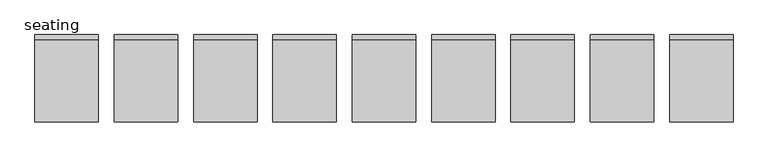
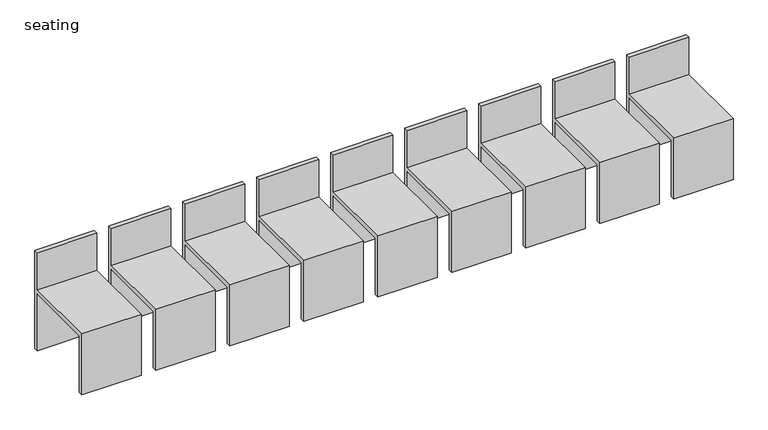
"""IFC4 building model written with IfcOpenShell, lengths in millimetres: railing geometry, seating."""

from ifc_helpers import new_model, si_unit, frame, origin, place, context, project, spatial, polyline, outline, extrude, source, transform, mapped, element, save


def seating_acadc58e(model_context):
    return source(origin(), model_context, "Body", "SweptSolid", [
        extrude(outline(polyline([(26.1313229, 300.0), (-3.8686771, 300.0), (-3.8686771, 704.446213), (-493.8686771, 704.446213), (-493.8686771, 300.0), (-523.8686771, 300.0), (-523.8686771, 734.446213), (-3.8686771, 734.446213), (-3.8686771, 1000.0), (26.1313229, 1000.0), (26.1313229, 300.0)])), frame((-5037.3231975, 0.0, 0.0), z_axis=(1.0, 0.0, 0.0), x_axis=(0.0, 1.0, 0.0)), (0.0, 0.0, 1.0), 400.0),
        extrude(outline(polyline([(26.1313229, 300.0), (-3.8686771, 300.0), (-3.8686771, 704.446213), (-493.8686771, 704.446213), (-493.8686771, 300.0), (-523.8686771, 300.0), (-523.8686771, 734.446213), (-3.8686771, 734.446213), (-3.8686771, 1000.0), (26.1313229, 1000.0), (26.1313229, 300.0)])), frame((-5537.3231975, 0.0, 0.0), z_axis=(1.0, 0.0, 0.0), x_axis=(0.0, 1.0, 0.0)), (0.0, 0.0, 1.0), 400.0),
        extrude(outline(polyline([(26.1313229, 300.0), (-3.8686771, 300.0), (-3.8686771, 704.446213), (-493.8686771, 704.446213), (-493.8686771, 300.0), (-523.8686771, 300.0), (-523.8686771, 734.446213), (-3.8686771, 734.446213), (-3.8686771, 1000.0), (26.1313229, 1000.0), (26.1313229, 300.0)])), frame((-6037.3231975, 0.0, 0.0), z_axis=(1.0, 0.0, 0.0), x_axis=(0.0, 1.0, 0.0)), (0.0, 0.0, 1.0), 400.0),
        extrude(outline(polyline([(26.1313229, 300.0), (-3.8686771, 300.0), (-3.8686771, 704.446213), (-493.8686771, 704.446213), (-493.8686771, 300.0), (-523.8686771, 300.0), (-523.8686771, 734.446213), (-3.8686771, 734.446213), (-3.8686771, 1000.0), (26.1313229, 1000.0), (26.1313229, 300.0)])), frame((-6537.3231975, 0.0, 0.0), z_axis=(1.0, 0.0, 0.0), x_axis=(0.0, 1.0, 0.0)), (0.0, 0.0, 1.0), 400.0),
        extrude(outline(polyline([(26.1313229, 300.0), (-3.8686771, 300.0), (-3.8686771, 704.446213), (-493.8686771, 704.446213), (-493.8686771, 300.0), (-523.8686771, 300.0), (-523.8686771, 734.446213), (-3.8686771, 734.446213), (-3.8686771, 1000.0), (26.1313229, 1000.0), (26.1313229, 300.0)])), frame((-7037.3231975, 0.0, 0.0), z_axis=(1.0, 0.0, 0.0), x_axis=(0.0, 1.0, 0.0)), (0.0, 0.0, 1.0), 400.0),
        extrude(outline(polyline([(26.1313229, 300.0), (-3.8686771, 300.0), (-3.8686771, 704.446213), (-493.8686771, 704.446213), (-493.8686771, 300.0), (-523.8686771, 300.0), (-523.8686771, 734.446213), (-3.8686771, 734.446213), (-3.8686771, 1000.0), (26.1313229, 1000.0), (26.1313229, 300.0)])), frame((-7537.3231975, 0.0, 0.0), z_axis=(1.0, 0.0, 0.0), x_axis=(0.0, 1.0, 0.0)), (0.0, 0.0, 1.0), 400.0),
        extrude(outline(polyline([(26.1313229, 300.0), (-3.8686771, 300.0), (-3.8686771, 704.446213), (-493.8686771, 704.446213), (-493.8686771, 300.0), (-523.8686771, 300.0), (-523.8686771, 734.446213), (-3.8686771, 734.446213), (-3.8686771, 1000.0), (26.1313229, 1000.0), (26.1313229, 300.0)])), frame((-8037.3231975, 0.0, 0.0), z_axis=(1.0, 0.0, 0.0), x_axis=(0.0, 1.0, 0.0)), (0.0, 0.0, 1.0), 400.0),
        extrude(outline(polyline([(26.1313229, 300.0), (-3.8686771, 300.0), (-3.8686771, 704.446213), (-493.8686771, 704.446213), (-493.8686771, 300.0), (-523.8686771, 300.0), (-523.8686771, 734.446213), (-3.8686771, 734.446213), (-3.8686771, 1000.0), (26.1313229, 1000.0), (26.1313229, 300.0)])), frame((-8537.3231975, 0.0, 0.0), z_axis=(1.0, 0.0, 0.0), x_axis=(0.0, 1.0, 0.0)), (0.0, 0.0, 1.0), 400.0),
        extrude(outline(polyline([(26.1313229, 300.0), (-3.8686771, 300.0), (-3.8686771, 704.446213), (-493.8686771, 704.446213), (-493.8686771, 300.0), (-523.8686771, 300.0), (-523.8686771, 734.446213), (-3.8686771, 734.446213), (-3.8686771, 1000.0), (26.1313229, 1000.0), (26.1313229, 300.0)])), frame((-9037.3231975, 0.0, 0.0), z_axis=(1.0, 0.0, 0.0), x_axis=(0.0, 1.0, 0.0)), (0.0, 0.0, 1.0), 400.0),
    ])


if __name__ == "__main__":
    model = new_model("IFC4")
    model_context = context("Model", 3, world=origin())
    ifc_project = project(units=[si_unit("LENGTHUNIT", "METRE", prefix="MILLI")], contexts=[model_context])
    site = spatial("IfcSite", under=ifc_project)
    building = spatial("IfcBuilding", under=site)
    placement = place(None, origin())
    seating_shape = seating_acadc58e(model_context)
    element("IfcRailing", 1, ObjectType="seating", at=placement, inside=building, context=model_context, shape_type="MappedRepresentation", body=[
        mapped(seating_shape, transform((0.0, 0.0, 0.0), x_axis=(1.0, 0.0, 0.0), y_axis=(0.0, 1.0, 0.0), z_axis=(0.0, 0.0, 1.0))),
    ])
    save(model, "model.ifc")
